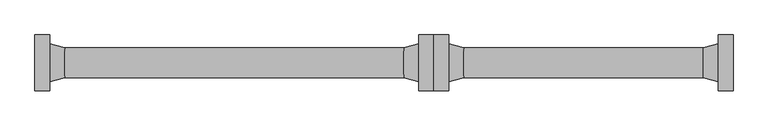
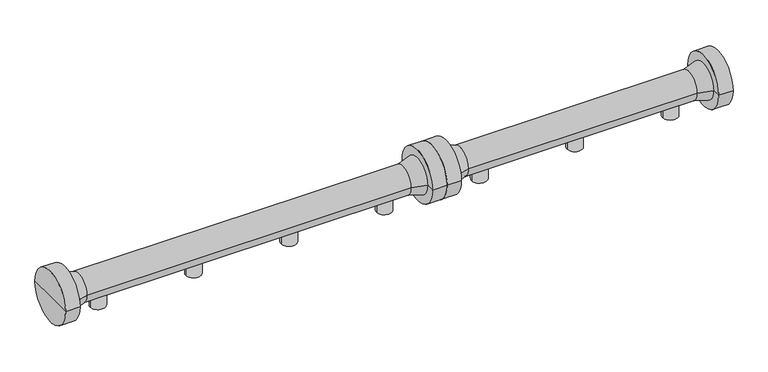
"""IFC4 building model written with IfcOpenShell, lengths in millimetres: proxy geometry."""

from ifc_helpers import new_model, si_unit, frame, origin, place, context, project, spatial, polyline, circle_curve, source, transform, mapped, element, save
from ifc_brep_helpers import plane_surface, cylinder_surface, revolved_surface, advanced_brep


def specialty_equipment_0185646b(model_context):
    return source(origin(), model_context, "Body", "AdvancedBrep", [
        advanced_brep(
        [(2538.0, 0.0, 0.0), (2458.0, 0.0, 0.0), (2458.0, 0.0, 85.195173), (2538.0, 0.0, 85.195173), (2498.0, 0.0, 0.0), (2498.0, 0.0, 85.195173)],
        [
            (0, 1, circle_curve(frame((2498.0, 0.0, 0.0), z_axis=(0.0, 0.0, 1.0), x_axis=(-1.0, 0.0, 0.0)), 40.0)),
            (1, 2),
            (2, 3, circle_curve(frame((2498.0, 0.0, 85.195173), z_axis=(0.0, 0.0, -1.0), x_axis=(-1.0, 0.0, 0.0)), 40.0)),
            (3, 0),
            (1, 0, circle_curve(frame((2498.0, 0.0, 0.0), z_axis=(0.0, 0.0, 1.0), x_axis=(-1.0, 0.0, 0.0)), 40.0)),
            (3, 2, circle_curve(frame((2498.0, 0.0, 85.195173), z_axis=(0.0, 0.0, -1.0), x_axis=(-1.0, 0.0, 0.0)), 40.0)),
            (4, 1),
            (0, 4),
            (2, 5),
            (5, 3),
        ],
        [
            cylinder_surface(frame((2498.0, 0.0, 1119.4899158), z_axis=(0.0, 0.0, -1.0), x_axis=(-1.0, 0.0, 0.0)), 40.0),
            plane_surface(frame((2498.0, 0.0, 0.0), z_axis=(0.0, 0.0, -1.0), x_axis=(-1.0, 0.0, 0.0))),
            plane_surface(frame((2498.0, 0.0, 85.195173), z_axis=(0.0, 0.0, 1.0), x_axis=(-1.0, 0.0, 0.0))),
        ],
        [
            (0, [[1, 2, 3, 4]]),
            (0, [[5, -4, 6, -2]]),
            (1, [[7, -1, 8]]),
            (1, [[-8, -5, -7]]),
            (2, [[-3, 9, 10]]),
            (2, [[-6, -10, -9]]),
        ],
    ),
        advanced_brep(
        [(3038.0, 0.0, 0.0), (2958.0, 0.0, 0.0), (2958.0, 0.0, 85.195173), (3038.0, 0.0, 85.195173), (2998.0, 0.0, 0.0), (2998.0, 0.0, 85.195173)],
        [
            (0, 1, circle_curve(frame((2998.0, 0.0, 0.0), z_axis=(0.0, 0.0, 1.0), x_axis=(-1.0, 0.0, 0.0)), 40.0)),
            (1, 2),
            (2, 3, circle_curve(frame((2998.0, 0.0, 85.195173), z_axis=(0.0, 0.0, -1.0), x_axis=(-1.0, 0.0, 0.0)), 40.0)),
            (3, 0),
            (1, 0, circle_curve(frame((2998.0, 0.0, 0.0), z_axis=(0.0, 0.0, 1.0), x_axis=(-1.0, 0.0, 0.0)), 40.0)),
            (3, 2, circle_curve(frame((2998.0, 0.0, 85.195173), z_axis=(0.0, 0.0, -1.0), x_axis=(-1.0, 0.0, 0.0)), 40.0)),
            (4, 1),
            (0, 4),
            (2, 5),
            (5, 3),
        ],
        [
            cylinder_surface(frame((2998.0, 0.0, 1119.4899158), z_axis=(0.0, 0.0, -1.0), x_axis=(-1.0, 0.0, 0.0)), 40.0),
            plane_surface(frame((2998.0, 0.0, 0.0), z_axis=(0.0, 0.0, -1.0), x_axis=(-1.0, 0.0, 0.0))),
            plane_surface(frame((2998.0, 0.0, 85.195173), z_axis=(0.0, 0.0, 1.0), x_axis=(-1.0, 0.0, 0.0))),
        ],
        [
            (0, [[1, 2, 3, 4]]),
            (0, [[5, -4, 6, -2]]),
            (1, [[7, -1, 8]]),
            (1, [[-8, -5, -7]]),
            (2, [[-3, 9, 10]]),
            (2, [[-6, -10, -9]]),
        ],
    ),
        advanced_brep(
        [(2038.0, 0.0, 0.0), (1958.0, 0.0, 0.0), (1958.0, 0.0, 85.195173), (2038.0, 0.0, 85.195173), (1998.0, 0.0, 0.0), (1998.0, 0.0, 85.195173)],
        [
            (0, 1, circle_curve(frame((1998.0, 0.0, 0.0), z_axis=(0.0, 0.0, 1.0), x_axis=(-1.0, 0.0, 0.0)), 40.0)),
            (1, 2),
            (2, 3, circle_curve(frame((1998.0, 0.0, 85.195173), z_axis=(0.0, 0.0, -1.0), x_axis=(-1.0, 0.0, 0.0)), 40.0)),
            (3, 0),
            (1, 0, circle_curve(frame((1998.0, 0.0, 0.0), z_axis=(0.0, 0.0, 1.0), x_axis=(-1.0, 0.0, 0.0)), 40.0)),
            (3, 2, circle_curve(frame((1998.0, 0.0, 85.195173), z_axis=(0.0, 0.0, -1.0), x_axis=(-1.0, 0.0, 0.0)), 40.0)),
            (4, 1),
            (0, 4),
            (2, 5),
            (5, 3),
        ],
        [
            cylinder_surface(frame((1998.0, 0.0, 1119.4899158), z_axis=(0.0, 0.0, -1.0), x_axis=(-1.0, 0.0, 0.0)), 40.0),
            plane_surface(frame((1998.0, 0.0, 0.0), z_axis=(0.0, 0.0, -1.0), x_axis=(-1.0, 0.0, 0.0))),
            plane_surface(frame((1998.0, 0.0, 85.195173), z_axis=(0.0, 0.0, 1.0), x_axis=(-1.0, 0.0, 0.0))),
        ],
        [
            (0, [[1, 2, 3, 4]]),
            (0, [[5, -4, 6, -2]]),
            (1, [[7, -1, 8]]),
            (1, [[-8, -5, -7]]),
            (2, [[-3, 9, 10]]),
            (2, [[-6, -10, -9]]),
        ],
    ),
        advanced_brep(
        [(1749.0, 0.0, 131.853238), (1749.0, 139.6593353, 131.853238), (1749.0, -139.6593353, 131.853238), (3247.0, -139.6593353, 131.853238), (3247.0, 139.6593353, 131.853238), (3247.0, 0.0, 131.853238), (3172.0, -139.6593353, 131.853238), (3172.0, 139.6593353, 131.853238), (3172.0, -95.0, 131.853238), (3172.0, 95.0, 131.853238), (3096.8943825, -74.9718353, 131.853238), (3096.8943825, 74.9718353, 131.853238), (1899.1056175, -74.9718353, 131.853238), (1899.1056175, 74.9718353, 131.853238), (1824.0, -95.0, 131.853238), (1824.0, 95.0, 131.853238), (1824.0, -139.6593353, 131.853238), (1824.0, 139.6593353, 131.853238)],
        [
            (0, 1),
            (1, 2, circle_curve(frame((1749.0, 0.0, 131.853238), z_axis=(-1.0, 0.0, 0.0), x_axis=(0.0, 1.0, 0.0)), 139.6593353)),
            (2, 0),
            (2, 1, circle_curve(frame((1749.0, 0.0, 131.853238), z_axis=(-1.0, 0.0, 0.0), x_axis=(0.0, 1.0, 0.0)), 139.6593353)),
            (3, 4, circle_curve(frame((3247.0, 0.0, 131.853238), z_axis=(1.0, 0.0, 0.0), x_axis=(0.0, 1.0, 0.0)), 139.6593353)),
            (4, 5),
            (5, 3),
            (4, 3, circle_curve(frame((3247.0, 0.0, 131.853238), z_axis=(1.0, 0.0, 0.0), x_axis=(0.0, 1.0, 0.0)), 139.6593353)),
            (6, 7, circle_curve(frame((3172.0, 0.0, 131.853238), z_axis=(1.0, 0.0, 0.0), x_axis=(0.0, 1.0, 0.0)), 139.6593353)),
            (7, 4),
            (3, 6),
            (7, 6, circle_curve(frame((3172.0, 0.0, 131.853238), z_axis=(1.0, 0.0, 0.0), x_axis=(0.0, 1.0, 0.0)), 139.6593353)),
            (8, 9, circle_curve(frame((3172.0, 0.0, 131.853238), z_axis=(1.0, 0.0, 0.0), x_axis=(0.0, 1.0, 0.0)), 95.0)),
            (9, 7),
            (6, 8),
            (9, 8, circle_curve(frame((3172.0, 0.0, 131.853238), z_axis=(1.0, 0.0, 0.0), x_axis=(0.0, 1.0, 0.0)), 95.0)),
            (10, 11, circle_curve(frame((3096.8943825, 0.0, 131.853238), z_axis=(1.0, 0.0, 0.0), x_axis=(0.0, 1.0, 0.0)), 74.9718353)),
            (11, 9),
            (8, 10),
            (11, 10, circle_curve(frame((3096.8943825, 0.0, 131.853238), z_axis=(1.0, 0.0, 0.0), x_axis=(0.0, 1.0, 0.0)), 74.9718353)),
            (12, 13, circle_curve(frame((1899.1056175, 0.0, 131.853238), z_axis=(1.0, 0.0, 0.0), x_axis=(0.0, 1.0, 0.0)), 74.9718353)),
            (13, 11),
            (10, 12),
            (13, 12, circle_curve(frame((1899.1056175, 0.0, 131.853238), z_axis=(1.0, 0.0, 0.0), x_axis=(0.0, 1.0, 0.0)), 74.9718353)),
            (14, 15, circle_curve(frame((1824.0, 0.0, 131.853238), z_axis=(1.0, 0.0, 0.0), x_axis=(0.0, 1.0, 0.0)), 95.0)),
            (15, 13),
            (12, 14),
            (15, 14, circle_curve(frame((1824.0, 0.0, 131.853238), z_axis=(1.0, 0.0, 0.0), x_axis=(0.0, 1.0, 0.0)), 95.0)),
            (16, 17, circle_curve(frame((1824.0, 0.0, 131.853238), z_axis=(1.0, 0.0, 0.0), x_axis=(0.0, 1.0, 0.0)), 139.6593353)),
            (17, 15),
            (14, 16),
            (17, 16, circle_curve(frame((1824.0, 0.0, 131.853238), z_axis=(1.0, 0.0, 0.0), x_axis=(0.0, 1.0, 0.0)), 139.6593353)),
            (1, 17),
            (16, 2),
        ],
        [
            plane_surface(frame((1749.0, 0.0, 131.853238), z_axis=(-1.0, 0.0, 0.0), x_axis=(0.0, 1.0, 0.0))),
            plane_surface(frame((3247.0, 0.0, 131.853238), z_axis=(1.0, 0.0, 0.0), x_axis=(0.0, 1.0, 0.0))),
            cylinder_surface(frame((4272.0, 0.0, 131.853238), z_axis=(-1.0, 0.0, 0.0), x_axis=(0.0, 1.0, 0.0)), 139.6593353),
            plane_surface(frame((3172.0, 0.0, 131.853238), z_axis=(-1.0, 0.0, 0.0), x_axis=(0.0, 1.0, 0.0))),
            revolved_surface(polyline([(3172.0, 95.0, 131.853238), (3096.8943825, 74.9718353, 131.853238)]), (4272.0, 0.0, 131.853238), (-1.0, 0.0, 0.0)),
            cylinder_surface(frame((4272.0, 0.0, 131.853238), z_axis=(-1.0, 0.0, 0.0), x_axis=(0.0, 1.0, 0.0)), 74.9718353),
            revolved_surface(polyline([(1899.1056175, 74.9718353, 131.853238), (1824.0, 95.0, 131.853238)]), (4272.0, 0.0, 131.853238), (-1.0, 0.0, 0.0)),
            plane_surface(frame((1824.0, 0.0, 131.853238), z_axis=(1.0, 0.0, 0.0), x_axis=(0.0, 1.0, 0.0))),
        ],
        [
            (0, [[1, 2, 3]]),
            (0, [[-3, 4, -1]]),
            (1, [[5, 6, 7]]),
            (1, [[8, -7, -6]]),
            (2, [[9, 10, -5, 11]]),
            (2, [[12, -11, -8, -10]]),
            (3, [[13, 14, -9, 15]]),
            (3, [[16, -15, -12, -14]]),
            (4, [[17, 18, -13, 19]]),
            (4, [[20, -19, -16, -18]]),
            (5, [[21, 22, -17, 23]]),
            (5, [[24, -23, -20, -22]]),
            (6, [[25, 26, -21, 27]]),
            (6, [[28, -27, -24, -26]]),
            (7, [[29, 30, -25, 31]]),
            (7, [[32, -31, -28, -30]]),
            (2, [[-2, 33, -29, 34]]),
            (2, [[-4, -34, -32, -33]]),
        ],
    ),
        advanced_brep(
        [(1040.0, 0.0, 0.046762), (960.0, 0.0, 0.046762), (960.0, 0.0, 85.241935), (1040.0, 0.0, 85.241935), (1000.0, 0.0, 0.046762), (1000.0, 0.0, 85.241935)],
        [
            (0, 1, circle_curve(frame((1000.0, 0.0, 0.046762), z_axis=(0.0, 0.0, 1.0), x_axis=(-1.0, 0.0, 0.0)), 40.0)),
            (1, 2),
            (2, 3, circle_curve(frame((1000.0, 0.0, 85.241935), z_axis=(0.0, 0.0, -1.0), x_axis=(-1.0, 0.0, 0.0)), 40.0)),
            (3, 0),
            (1, 0, circle_curve(frame((1000.0, 0.0, 0.046762), z_axis=(0.0, 0.0, 1.0), x_axis=(-1.0, 0.0, 0.0)), 40.0)),
            (3, 2, circle_curve(frame((1000.0, 0.0, 85.241935), z_axis=(0.0, 0.0, -1.0), x_axis=(-1.0, 0.0, 0.0)), 40.0)),
            (4, 1),
            (0, 4),
            (2, 5),
            (5, 3),
        ],
        [
            cylinder_surface(frame((1000.0, 0.0, 1119.5366778), z_axis=(0.0, 0.0, -1.0), x_axis=(-1.0, 0.0, 0.0)), 40.0),
            plane_surface(frame((1000.0, 0.0, 0.046762), z_axis=(0.0, 0.0, -1.0), x_axis=(-1.0, 0.0, 0.0))),
            plane_surface(frame((1000.0, 0.0, 85.241935), z_axis=(0.0, 0.0, 1.0), x_axis=(-1.0, 0.0, 0.0))),
        ],
        [
            (0, [[1, 2, 3, 4]]),
            (0, [[5, -4, 6, -2]]),
            (1, [[7, -1, 8]]),
            (1, [[-8, -5, -7]]),
            (2, [[-3, 9, 10]]),
            (2, [[-6, -10, -9]]),
        ],
    ),
        advanced_brep(
        [(540.0, 0.0, 0.046762), (460.0, 0.0, 0.046762), (460.0, 0.0, 85.241935), (540.0, 0.0, 85.241935), (500.0, 0.0, 0.046762), (500.0, 0.0, 85.241935)],
        [
            (0, 1, circle_curve(frame((500.0, 0.0, 0.046762), z_axis=(0.0, 0.0, 1.0), x_axis=(-1.0, 0.0, 0.0)), 40.0)),
            (1, 2),
            (2, 3, circle_curve(frame((500.0, 0.0, 85.241935), z_axis=(0.0, 0.0, -1.0), x_axis=(-1.0, 0.0, 0.0)), 40.0)),
            (3, 0),
            (1, 0, circle_curve(frame((500.0, 0.0, 0.046762), z_axis=(0.0, 0.0, 1.0), x_axis=(-1.0, 0.0, 0.0)), 40.0)),
            (3, 2, circle_curve(frame((500.0, 0.0, 85.241935), z_axis=(0.0, 0.0, -1.0), x_axis=(-1.0, 0.0, 0.0)), 40.0)),
            (4, 1),
            (0, 4),
            (2, 5),
            (5, 3),
        ],
        [
            cylinder_surface(frame((500.0, 0.0, 1119.5366778), z_axis=(0.0, 0.0, -1.0), x_axis=(-1.0, 0.0, 0.0)), 40.0),
            plane_surface(frame((500.0, 0.0, 0.046762), z_axis=(0.0, 0.0, -1.0), x_axis=(-1.0, 0.0, 0.0))),
            plane_surface(frame((500.0, 0.0, 85.241935), z_axis=(0.0, 0.0, 1.0), x_axis=(-1.0, 0.0, 0.0))),
        ],
        [
            (0, [[1, 2, 3, 4]]),
            (0, [[5, -4, 6, -2]]),
            (1, [[7, -1, 8]]),
            (1, [[-8, -5, -7]]),
            (2, [[-3, 9, 10]]),
            (2, [[-6, -10, -9]]),
        ],
    ),
        advanced_brep(
        [(1540.0, 0.0, 0.046762), (1460.0, 0.0, 0.046762), (1460.0, 0.0, 85.241935), (1540.0, 0.0, 85.241935), (1500.0, 0.0, 0.046762), (1500.0, 0.0, 85.241935)],
        [
            (0, 1, circle_curve(frame((1500.0, 0.0, 0.046762), z_axis=(0.0, 0.0, 1.0), x_axis=(-1.0, 0.0, 0.0)), 40.0)),
            (1, 2),
            (2, 3, circle_curve(frame((1500.0, 0.0, 85.241935), z_axis=(0.0, 0.0, -1.0), x_axis=(-1.0, 0.0, 0.0)), 40.0)),
            (3, 0),
            (1, 0, circle_curve(frame((1500.0, 0.0, 0.046762), z_axis=(0.0, 0.0, 1.0), x_axis=(-1.0, 0.0, 0.0)), 40.0)),
            (3, 2, circle_curve(frame((1500.0, 0.0, 85.241935), z_axis=(0.0, 0.0, -1.0), x_axis=(-1.0, 0.0, 0.0)), 40.0)),
            (4, 1),
            (0, 4),
            (2, 5),
            (5, 3),
        ],
        [
            cylinder_surface(frame((1500.0, 0.0, 1119.5366778), z_axis=(0.0, 0.0, -1.0), x_axis=(-1.0, 0.0, 0.0)), 40.0),
            plane_surface(frame((1500.0, 0.0, 0.046762), z_axis=(0.0, 0.0, -1.0), x_axis=(-1.0, 0.0, 0.0))),
            plane_surface(frame((1500.0, 0.0, 85.241935), z_axis=(0.0, 0.0, 1.0), x_axis=(-1.0, 0.0, 0.0))),
        ],
        [
            (0, [[1, 2, 3, 4]]),
            (0, [[5, -4, 6, -2]]),
            (1, [[7, -1, 8]]),
            (1, [[-8, -5, -7]]),
            (2, [[-3, 9, 10]]),
            (2, [[-6, -10, -9]]),
        ],
    ),
        advanced_brep(
        [(40.0, 0.0, 0.046762), (-40.0, 0.0, 0.046762), (-40.0, 0.0, 85.241935), (40.0, 0.0, 85.241935), (0.0, 0.0, 0.046762), (0.0, 0.0, 85.241935)],
        [
            (0, 1, circle_curve(frame((0.0, 0.0, 0.046762), z_axis=(0.0, 0.0, 1.0), x_axis=(-1.0, 0.0, 0.0)), 40.0)),
            (1, 2),
            (2, 3, circle_curve(frame((0.0, 0.0, 85.241935), z_axis=(0.0, 0.0, -1.0), x_axis=(-1.0, 0.0, 0.0)), 40.0)),
            (3, 0),
            (1, 0, circle_curve(frame((0.0, 0.0, 0.046762), z_axis=(0.0, 0.0, 1.0), x_axis=(-1.0, 0.0, 0.0)), 40.0)),
            (3, 2, circle_curve(frame((0.0, 0.0, 85.241935), z_axis=(0.0, 0.0, -1.0), x_axis=(-1.0, 0.0, 0.0)), 40.0)),
            (4, 1),
            (0, 4),
            (2, 5),
            (5, 3),
        ],
        [
            cylinder_surface(frame((0.0, 0.0, 1119.5366778), z_axis=(0.0, 0.0, -1.0), x_axis=(-1.0, 0.0, 0.0)), 40.0),
            plane_surface(frame((0.0, 0.0, 0.046762), z_axis=(0.0, 0.0, -1.0), x_axis=(-1.0, 0.0, 0.0))),
            plane_surface(frame((0.0, 0.0, 85.241935), z_axis=(0.0, 0.0, 1.0), x_axis=(-1.0, 0.0, 0.0))),
        ],
        [
            (0, [[1, 2, 3, 4]]),
            (0, [[5, -4, 6, -2]]),
            (1, [[7, -1, 8]]),
            (1, [[-8, -5, -7]]),
            (2, [[-3, 9, 10]]),
            (2, [[-6, -10, -9]]),
        ],
    ),
        advanced_brep(
        [(-249.0, 0.0, 131.9), (-249.0, 139.6593353, 131.9), (-249.0, -139.6593353, 131.9), (1749.0, -139.6593353, 131.9), (1749.0, 139.6593353, 131.9), (1749.0, 0.0, 131.9), (1674.0, -139.6593353, 131.9), (1674.0, 139.6593353, 131.9), (1674.0, -95.0, 131.9), (1674.0, 95.0, 131.9), (1598.8943825, -74.9718353, 131.9), (1598.8943825, 74.9718353, 131.9), (-98.8943825, -74.9718353, 131.9), (-98.8943825, 74.9718353, 131.9), (-174.0, -95.0, 131.9), (-174.0, 95.0, 131.9), (-174.0, -139.6593353, 131.9), (-174.0, 139.6593353, 131.9)],
        [
            (0, 1),
            (1, 2, circle_curve(frame((-249.0, 0.0, 131.9), z_axis=(-1.0, 0.0, 0.0), x_axis=(0.0, 1.0, 0.0)), 139.6593353)),
            (2, 0),
            (2, 1, circle_curve(frame((-249.0, 0.0, 131.9), z_axis=(-1.0, 0.0, 0.0), x_axis=(0.0, 1.0, 0.0)), 139.6593353)),
            (3, 4, circle_curve(frame((1749.0, 0.0, 131.9), z_axis=(1.0, 0.0, 0.0), x_axis=(0.0, 1.0, 0.0)), 139.6593353)),
            (4, 5),
            (5, 3),
            (4, 3, circle_curve(frame((1749.0, 0.0, 131.9), z_axis=(1.0, 0.0, 0.0), x_axis=(0.0, 1.0, 0.0)), 139.6593353)),
            (6, 7, circle_curve(frame((1674.0, 0.0, 131.9), z_axis=(1.0, 0.0, 0.0), x_axis=(0.0, 1.0, 0.0)), 139.6593353)),
            (7, 4),
            (3, 6),
            (7, 6, circle_curve(frame((1674.0, 0.0, 131.9), z_axis=(1.0, 0.0, 0.0), x_axis=(0.0, 1.0, 0.0)), 139.6593353)),
            (8, 9, circle_curve(frame((1674.0, 0.0, 131.9), z_axis=(1.0, 0.0, 0.0), x_axis=(0.0, 1.0, 0.0)), 95.0)),
            (9, 7),
            (6, 8),
            (9, 8, circle_curve(frame((1674.0, 0.0, 131.9), z_axis=(1.0, 0.0, 0.0), x_axis=(0.0, 1.0, 0.0)), 95.0)),
            (10, 11, circle_curve(frame((1598.8943825, 0.0, 131.9), z_axis=(1.0, 0.0, 0.0), x_axis=(0.0, 1.0, 0.0)), 74.9718353)),
            (11, 9),
            (8, 10),
            (11, 10, circle_curve(frame((1598.8943825, 0.0, 131.9), z_axis=(1.0, 0.0, 0.0), x_axis=(0.0, 1.0, 0.0)), 74.9718353)),
            (12, 13, circle_curve(frame((-98.8943825, 0.0, 131.9), z_axis=(1.0, 0.0, 0.0), x_axis=(0.0, 1.0, 0.0)), 74.9718353)),
            (13, 11),
            (10, 12),
            (13, 12, circle_curve(frame((-98.8943825, 0.0, 131.9), z_axis=(1.0, 0.0, 0.0), x_axis=(0.0, 1.0, 0.0)), 74.9718353)),
            (14, 15, circle_curve(frame((-174.0, 0.0, 131.9), z_axis=(1.0, 0.0, 0.0), x_axis=(0.0, 1.0, 0.0)), 95.0)),
            (15, 13),
            (12, 14),
            (15, 14, circle_curve(frame((-174.0, 0.0, 131.9), z_axis=(1.0, 0.0, 0.0), x_axis=(0.0, 1.0, 0.0)), 95.0)),
            (16, 17, circle_curve(frame((-174.0, 0.0, 131.9), z_axis=(1.0, 0.0, 0.0), x_axis=(0.0, 1.0, 0.0)), 139.6593353)),
            (17, 15),
            (14, 16),
            (17, 16, circle_curve(frame((-174.0, 0.0, 131.9), z_axis=(1.0, 0.0, 0.0), x_axis=(0.0, 1.0, 0.0)), 139.6593353)),
            (1, 17),
            (16, 2),
        ],
        [
            plane_surface(frame((-249.0, 0.0, 131.9), z_axis=(-1.0, 0.0, 0.0), x_axis=(0.0, 1.0, 0.0))),
            plane_surface(frame((1749.0, 0.0, 131.9), z_axis=(1.0, 0.0, 0.0), x_axis=(0.0, 1.0, 0.0))),
            cylinder_surface(frame((2774.0, 0.0, 131.9), z_axis=(-1.0, 0.0, 0.0), x_axis=(0.0, 1.0, 0.0)), 139.6593353),
            plane_surface(frame((1674.0, 0.0, 131.9), z_axis=(-1.0, 0.0, 0.0), x_axis=(0.0, 1.0, 0.0))),
            revolved_surface(polyline([(1674.0, 95.0, 131.9), (1598.8943825, 74.9718353, 131.9)]), (2774.0, 0.0, 131.9), (-1.0, 0.0, 0.0)),
            cylinder_surface(frame((2774.0, 0.0, 131.9), z_axis=(-1.0, 0.0, 0.0), x_axis=(0.0, 1.0, 0.0)), 74.9718353),
            revolved_surface(polyline([(-98.8943825, 74.9718353, 131.9), (-174.0, 95.0, 131.9)]), (2774.0, 0.0, 131.9), (-1.0, 0.0, 0.0)),
            plane_surface(frame((-174.0, 0.0, 131.9), z_axis=(1.0, 0.0, 0.0), x_axis=(0.0, 1.0, 0.0))),
        ],
        [
            (0, [[1, 2, 3]]),
            (0, [[-3, 4, -1]]),
            (1, [[5, 6, 7]]),
            (1, [[8, -7, -6]]),
            (2, [[9, 10, -5, 11]]),
            (2, [[12, -11, -8, -10]]),
            (3, [[13, 14, -9, 15]]),
            (3, [[16, -15, -12, -14]]),
            (4, [[17, 18, -13, 19]]),
            (4, [[20, -19, -16, -18]]),
            (5, [[21, 22, -17, 23]]),
            (5, [[24, -23, -20, -22]]),
            (6, [[25, 26, -21, 27]]),
            (6, [[28, -27, -24, -26]]),
            (7, [[29, 30, -25, 31]]),
            (7, [[32, -31, -28, -30]]),
            (2, [[-2, 33, -29, 34]]),
            (2, [[-4, -34, -32, -33]]),
        ],
    ),
    ])


if __name__ == "__main__":
    model = new_model("IFC4")
    model_context = context("Model", 3, world=origin())
    ifc_project = project(units=[si_unit("LENGTHUNIT", "METRE", prefix="MILLI")], contexts=[model_context])
    site = spatial("IfcSite", under=ifc_project)
    building = spatial("IfcBuilding", under=site)
    placement = place(None, origin())
    specialty_equipment_shape = specialty_equipment_0185646b(model_context)
    element("IfcBuildingElementProxy", 1, Name="Specialty Equipment", at=placement, inside=building, context=model_context, shape_type="MappedRepresentation", body=[
        mapped(specialty_equipment_shape, transform((0.0, 0.0, 0.0), x_axis=(1.0, 0.0, 0.0), y_axis=(0.0, 1.0, 0.0), z_axis=(0.0, 0.0, 1.0))),
    ])
    save(model, "model.ifc")
